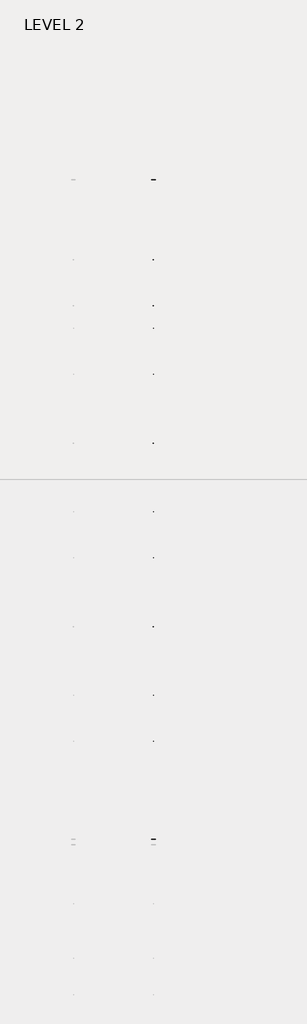
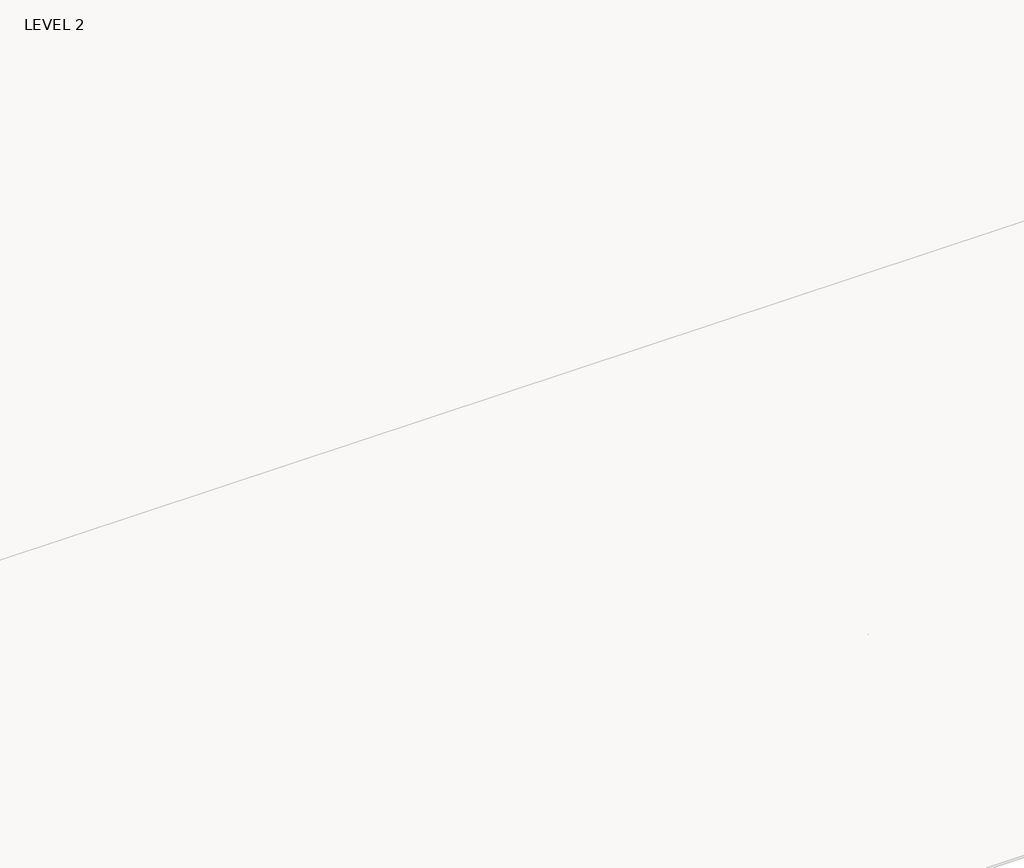
# One storey, part 47 of 67: 1 beam.
"""IFC4 building model written with IfcOpenShell, lengths in millimetres."""

from ifc_helpers import new_model, si_unit, frame, origin, place, context, project, spatial, polyline, outline, extrude, faceted_brep, element, save

model = new_model("IFC4")

# Units and contexts
model_context = context("Model", 3, world=origin())
ifc_project = project(units=[si_unit("LENGTHUNIT", "METRE", prefix="MILLI")], contexts=[model_context])

# Site, building, storey
site = spatial("IfcSite", under=ifc_project)
building = spatial("IfcBuilding", under=site)
storey = spatial("IfcBuildingStorey", under=building, Name="LEVEL 2", Elevation=6908.8)

# Beam
placement = place(None, origin())
element("IfcBeam", 1, ObjectType="K-Series Bar Joist-Angle Web : 30K7", at=placement, inside=storey, context=model_context, shape_type="SolidModel", body=[
    extrude(outline(polyline([(0.0, -9.525), (0.0, 0.0), (1596.011582, 0.0), (1596.011582, -9.525), (0.0, -9.525)])), frame((38749.8014942, 3035.5608234, 6301.5998528), z_axis=(0.0, -0.45537207995192985, 0.8903012236317849), x_axis=(0.0, -0.8903012236317849, -0.45537207995192985)), (0.0, 0.0, 1.0), 9.525),
    extrude(outline(polyline([(0.0, -9.525), (0.0, 0.0), (1596.011582, 0.0), (1596.011582, -9.525), (0.0, -9.525)])), frame((38740.2764942, -9405.2089013, 6276.405159), z_axis=(0.0, 0.45176233395621196, 0.8921383265046045), x_axis=(0.0, 0.8921383265046045, -0.45176233395621196)), (0.0, 0.0, 1.0), 9.525),
    extrude(outline(polyline([(4.7625, 4.7625), (4.7625, -4.7625), (-4.7625, -4.7625), (-4.7625, 4.7625), (4.7625, 4.7625)])), frame((38745.0389942, 1612.4610495, 5579.0607987), z_axis=(0.0, 0.5141906943646374, 0.8576758885667779), x_axis=(-1.0, 0.0, 0.0)), (0.0, 0.0, 1.0), 845.0528554),
    extrude(outline(polyline([(4.7625, 4.7625), (4.7625, -4.7625), (-4.7625, -4.7625), (-4.7625, 4.7625), (4.7625, 4.7625)])), frame((38745.0389942, -7979.1942813, 5559.6360505), z_axis=(0.0, -0.5176603441548682, 0.8555862131249332), x_axis=(-1.0, 0.0, 0.0)), (0.0, 0.0, 1.0), 845.0528554),
    extrude(outline(polyline([(0.0, 0.0), (31.75, 0.0), (31.75, -6.35), (6.35, -6.35), (6.35, -31.75), (0.0, -31.75), (0.0, 0.0)])), frame((38749.8014942, -8080.7812131, 5553.0803065), z_axis=(0.0, 0.9999979493462576, 0.0020251674695521043), x_axis=(1.0, 0.0, 0.0)), (0.0, 0.0, 1.0), 9794.875),
    extrude(outline(polyline([(-9.525, 0.0), (-9.525, -31.75), (-15.875, -31.75), (-15.875, -6.35), (-41.275, -6.35), (-41.275, 0.0), (-9.525, 0.0)])), frame((38749.8014942, -8080.7812131, 5553.0803065), z_axis=(0.0, 0.9999979493462576, 0.0020251674695521043), x_axis=(1.0, 0.0, 0.0)), (0.0, 0.0, 1.0), 9794.875),
    extrude(outline(polyline([(-31.75, 0.0), (0.0, 0.0), (0.0, -6.35), (-25.4, -6.35), (-25.4, -31.75), (-31.75, -31.75), (-31.75, 0.0)])), frame((38781.5514942, -9504.5928758, 6248.6982759), z_axis=(0.0, 0.9999979493462576, 0.0020251674695521043), x_axis=(1.0, 0.0, 0.0)), (0.0, 0.0, 1.0), 101.6),
    extrude(outline(polyline([(-41.275, 0.0), (-41.275, -31.75), (-47.625, -31.75), (-47.625, -6.35), (-73.025, -6.35), (-73.025, 0.0), (-41.275, 0.0)])), frame((38781.5514942, -9504.5928758, 6248.6982759), z_axis=(0.0, 0.9999979493462576, 0.0020251674695521043), x_axis=(1.0, 0.0, 0.0)), (0.0, 0.0, 1.0), 101.6),
    extrude(outline(polyline([(0.0, 0.0), (31.75, 0.0), (31.75, -6.35), (6.35, -6.35), (6.35, -31.75), (0.0, -31.75), (0.0, 0.0)])), frame((38740.2764942, 3033.456413, 6274.0899775), z_axis=(0.0, 0.9999979493462576, 0.0020251674695521043), x_axis=(0.0, -0.0020251674695521043, 0.9999979493462576)), (0.0, 0.0, 1.0), 101.6),
    extrude(outline(polyline([(0.0, 41.275), (6.35, 41.275), (6.35, 15.875), (31.75, 15.875), (31.75, 9.525), (0.0, 9.525), (0.0, 41.275)])), frame((38740.2764942, 3033.456413, 6274.0899775), z_axis=(0.0, 0.9999979493462576, 0.0020251674695521043), x_axis=(0.0, -0.0020251674695521043, 0.9999979493462576)), (0.0, 0.0, 1.0), 101.6),
    extrude(outline(polyline([(0.0, 0.0), (31.75, 0.0), (31.75, -6.35), (6.35, -6.35), (6.35, -31.75), (0.0, -31.75), (0.0, 0.0)])), frame((38749.8014942, -9504.7214739, 6312.1981457), z_axis=(0.0, 0.9999979493462576, 0.0020251674695521043), x_axis=(0.0, 0.0020251674695521043, -0.9999979493462576)), (0.0, 0.0, 1.0), 12639.675),
    extrude(outline(polyline([(0.0, 9.525), (0.0, 41.275), (6.35, 41.275), (6.35, 15.875), (31.75, 15.875), (31.75, 9.525), (0.0, 9.525)])), frame((38749.8014942, -9504.7214739, 6312.1981457), z_axis=(0.0, 0.9999979493462576, 0.0020251674695521043), x_axis=(0.0, 0.0020251674695521043, -0.9999979493462576)), (0.0, 0.0, 1.0), 12639.675),
    faceted_brep([(38745.0389942, 1612.4289, 5594.9357661), (38745.0389942, 1612.4674794, 5575.8858052), (38740.2764942, 1612.4674794, 5575.8858052), (38740.2764942, 1612.4289, 5594.9357661), (38745.0389942, 1611.5910583, 5594.9340693), (38745.0389942, 1186.8149607, 6330.6753354), (38745.0389942, 1168.6028414, 6330.6384527), (38745.0389942, 1168.6414208, 6311.5884918), (38745.0389942, 1175.8292494, 6311.6030483), (38745.0389942, 1600.6053471, 5575.8617823), (38740.2764942, 1600.6053471, 5575.8617823), (38740.2764942, 1580.4651011, 5610.7460665), (38740.2764942, 1584.5895575, 5613.1272983), (38740.2764942, 1189.1083632, 6298.1277874), (38740.2764942, 1184.9839067, 6295.7465555), (38740.2764942, 1175.8292494, 6311.6030483), (38740.2764942, 1168.6414208, 6311.5884918), (38740.2764942, 1168.6028414, 6330.6384527), (38740.2764942, 1186.8149607, 6330.6753354), (38740.2764942, 1611.5910583, 5594.9340693), (38727.5764942, 1184.9839067, 6295.7465555), (38727.5764942, 1580.4651011, 5610.7460665), (38727.5764942, 1584.5895575, 5613.1272983), (38727.5764942, 1189.1083632, 6298.1277874)], [[[0, 1, 2, 3]], [[1, 0, 4, 5, 6, 7, 8, 9]], [[2, 1, 9, 10]], [[3, 2, 10, 11, 12, 13, 14, 15, 16, 17, 18, 19]], [[0, 3, 19, 4]], [[9, 8, 15, 14, 20, 21, 11, 10]], [[5, 4, 19, 18]], [[7, 6, 17, 16]], [[8, 7, 16, 15]], [[6, 5, 18, 17]], [[21, 22, 12, 11]], [[20, 14, 13, 23]], [[22, 21, 20, 23]], [[12, 22, 23, 13]]]),
    extrude(outline(polyline([(740.498813, 5574.119919), (740.4602335, 5593.1698799), (741.2980751, 5593.1715767), (1163.090696, 6330.6272897), (1181.3028154, 6330.6641723), (1181.3413948, 6311.6142114), (1174.1535662, 6311.5996548), (752.3609453, 5574.1439418), (740.498813, 5574.119919)])), frame((38745.0389942, 0.0, 0.0), z_axis=(1.0, 0.0, 0.0), x_axis=(0.0, 1.0, 0.0)), (0.0, 0.0, 1.0), 4.7625),
    extrude(outline(polyline([(-4.7625, 4.7625), (-4.7625, 0.0), (-17.4625, 0.0), (-17.4625, 4.7625), (-4.7625, 4.7625)])), frame((38745.0389942, 772.3597334, 5609.1095144), z_axis=(0.0, 0.4964843899757221, 0.8680456500152716), x_axis=(-1.0, 0.0, 0.0)), (0.0, 0.0, 1.0), 790.9684223),
    faceted_brep([(38745.0389942, -7107.2577644, 5577.2769041), (38745.0389942, -7107.219185, 5558.2269432), (38740.2764942, -7107.219185, 5558.2269432), (38740.2764942, -7107.2577644, 5577.2769041), (38745.0389942, -7108.095606, 5577.2752074), (38745.0389942, -7532.8717036, 6313.0164734), (38745.0389942, -7551.083823, 6312.9795907), (38745.0389942, -7551.0452435, 6293.9296298), (38745.0389942, -7543.8574149, 6293.9441864), (38745.0389942, -7119.0813173, 5558.2029203), (38740.2764942, -7119.0813173, 5558.2029203), (38740.2764942, -7139.2215633, 5593.0872045), (38740.2764942, -7135.0971068, 5595.4684363), (38740.2764942, -7530.5783012, 6280.4689254), (38740.2764942, -7534.7027576, 6278.0876936), (38740.2764942, -7543.8574149, 6293.9441864), (38740.2764942, -7551.0452435, 6293.9296298), (38740.2764942, -7551.083823, 6312.9795907), (38740.2764942, -7532.8717036, 6313.0164734), (38740.2764942, -7108.095606, 5577.2752074), (38727.5764942, -7534.7027576, 6278.0876936), (38727.5764942, -7139.2215633, 5593.0872045), (38727.5764942, -7135.0971068, 5595.4684363), (38727.5764942, -7530.5783012, 6280.4689254)], [[[0, 1, 2, 3]], [[1, 0, 4, 5, 6, 7, 8, 9]], [[2, 1, 9, 10]], [[3, 2, 10, 11, 12, 13, 14, 15, 16, 17, 18, 19]], [[0, 3, 19, 4]], [[9, 8, 15, 14, 20, 21, 11, 10]], [[5, 4, 19, 18]], [[7, 6, 17, 16]], [[8, 7, 16, 15]], [[6, 5, 18, 17]], [[21, 22, 12, 11]], [[20, 14, 13, 23]], [[22, 21, 20, 23]], [[12, 22, 23, 13]]]),
    extrude(outline(polyline([(-7979.1878514, 5556.461057), (-7979.2264308, 5575.5110179), (-7978.3885892, 5575.5127147), (-7556.5959683, 6312.9684277), (-7538.383849, 6313.0053103), (-7538.3452696, 6293.9553494), (-7545.5330982, 6293.9407928), (-7967.3257191, 5556.4850798), (-7979.1878514, 5556.461057)])), frame((38745.0389942, 0.0, 0.0), z_axis=(1.0, 0.0, 0.0), x_axis=(0.0, 1.0, 0.0)), (0.0, 0.0, 1.0), 4.7625),
    extrude(outline(polyline([(-4.7625, 4.7625), (-4.7625, 0.0), (-17.4625, 0.0), (-17.4625, 4.7625), (-4.7625, 4.7625)])), frame((38745.0389942, -7947.326931, 5591.4506524), z_axis=(0.0, 0.4964843899757221, 0.8680456500152716), x_axis=(-1.0, 0.0, 0.0)), (0.0, 0.0, 1.0), 790.9684223),
    faceted_brep([(38745.0389942, 740.4602335, 5593.1698799), (38745.0389942, 740.498813, 5574.119919), (38740.2764942, 740.498813, 5574.119919), (38740.2764942, 740.4602335, 5593.1698799), (38745.0389942, 739.6223919, 5593.1681831), (38745.0389942, 314.8462943, 6328.9094492), (38745.0389942, 296.634175, 6328.8725665), (38745.0389942, 296.6727544, 6309.8226056), (38745.0389942, 303.860583, 6309.8371621), (38745.0389942, 728.6366806, 5574.0958961), (38740.2764942, 728.6366806, 5574.0958961), (38740.2764942, 708.4964346, 5608.9801803), (38740.2764942, 712.6208911, 5611.3614121), (38740.2764942, 317.1396968, 6296.3619012), (38740.2764942, 313.0152403, 6293.9806693), (38740.2764942, 303.860583, 6309.8371621), (38740.2764942, 296.6727544, 6309.8226056), (38740.2764942, 296.634175, 6328.8725665), (38740.2764942, 314.8462943, 6328.9094492), (38740.2764942, 739.6223919, 5593.1681831), (38727.5764942, 313.0152403, 6293.9806693), (38727.5764942, 708.4964346, 5608.9801803), (38727.5764942, 712.6208911, 5611.3614121), (38727.5764942, 317.1396968, 6296.3619012)], [[[0, 1, 2, 3]], [[1, 0, 4, 5, 6, 7, 8, 9]], [[2, 1, 9, 10]], [[3, 2, 10, 11, 12, 13, 14, 15, 16, 17, 18, 19]], [[0, 3, 19, 4]], [[9, 8, 15, 14, 20, 21, 11, 10]], [[5, 4, 19, 18]], [[7, 6, 17, 16]], [[8, 7, 16, 15]], [[6, 5, 18, 17]], [[21, 22, 12, 11]], [[20, 14, 13, 23]], [[22, 21, 20, 23]], [[12, 22, 23, 13]]]),
    extrude(outline(polyline([(-131.4698535, 5572.3540328), (-131.5084329, 5591.4039937), (-130.6705913, 5591.4056905), (291.1220296, 6328.8614035), (309.3341489, 6328.8982861), (309.3727284, 6309.8483252), (302.1848998, 6309.8337686), (-119.6077211, 5572.3780556), (-131.4698535, 5572.3540328)])), frame((38745.0389942, 0.0, 0.0), z_axis=(1.0, 0.0, 0.0), x_axis=(0.0, 1.0, 0.0)), (0.0, 0.0, 1.0), 4.7625),
    extrude(outline(polyline([(-4.7625, 4.7625), (-4.7625, 0.0), (-17.4625, 0.0), (-17.4625, 4.7625), (-4.7625, 4.7625)])), frame((38745.0389942, -99.6089331, 5607.3436282), z_axis=(0.0, 0.4964843899757221, 0.8680456500152716), x_axis=(-1.0, 0.0, 0.0)), (0.0, 0.0, 1.0), 790.9684223),
    faceted_brep([(38745.0389942, -131.5084329, 5591.4039937), (38745.0389942, -131.4698535, 5572.3540328), (38740.2764942, -131.4698535, 5572.3540328), (38740.2764942, -131.5084329, 5591.4039937), (38745.0389942, -132.3462745, 5591.4022969), (38745.0389942, -557.1223722, 6327.143563), (38745.0389942, -575.3344915, 6327.1066803), (38745.0389942, -575.295912, 6308.0567194), (38745.0389942, -568.1080834, 6308.0712759), (38745.0389942, -143.3319858, 5572.3300099), (38740.2764942, -143.3319858, 5572.3300099), (38740.2764942, -163.4722318, 5607.2142941), (38740.2764942, -159.3477753, 5609.5955259), (38740.2764942, -554.8289697, 6294.596015), (38740.2764942, -558.9534262, 6292.2147831), (38740.2764942, -568.1080834, 6308.0712759), (38740.2764942, -575.295912, 6308.0567194), (38740.2764942, -575.3344915, 6327.1066803), (38740.2764942, -557.1223722, 6327.143563), (38740.2764942, -132.3462745, 5591.4022969), (38727.5764942, -558.9534262, 6292.2147831), (38727.5764942, -163.4722318, 5607.2142941), (38727.5764942, -159.3477753, 5609.5955259), (38727.5764942, -554.8289697, 6294.596015)], [[[0, 1, 2, 3]], [[1, 0, 4, 5, 6, 7, 8, 9]], [[2, 1, 9, 10]], [[3, 2, 10, 11, 12, 13, 14, 15, 16, 17, 18, 19]], [[0, 3, 19, 4]], [[9, 8, 15, 14, 20, 21, 11, 10]], [[5, 4, 19, 18]], [[7, 6, 17, 16]], [[8, 7, 16, 15]], [[6, 5, 18, 17]], [[21, 22, 12, 11]], [[20, 14, 13, 23]], [[22, 21, 20, 23]], [[12, 22, 23, 13]]]),
    extrude(outline(polyline([(-1003.4385199, 5570.5881466), (-1003.4770993, 5589.6381075), (-1002.6392577, 5589.6398043), (-580.8466368, 6327.0955173), (-562.6345175, 6327.1323999), (-562.5959381, 6308.082439), (-569.7837667, 6308.0678824), (-991.5763876, 5570.6121694), (-1003.4385199, 5570.5881466)])), frame((38745.0389942, 0.0, 0.0), z_axis=(1.0, 0.0, 0.0), x_axis=(0.0, 1.0, 0.0)), (0.0, 0.0, 1.0), 4.7625),
    extrude(outline(polyline([(-4.7625, 4.7625), (-4.7625, 0.0), (-17.4625, 0.0), (-17.4625, 4.7625), (-4.7625, 4.7625)])), frame((38745.0389942, -971.5775995, 5605.577742), z_axis=(0.0, 0.4964843899757221, 0.8680456500152716), x_axis=(-1.0, 0.0, 0.0)), (0.0, 0.0, 1.0), 790.9684223),
    faceted_brep([(38745.0389942, -1003.4770993, 5589.6381075), (38745.0389942, -1003.4385199, 5570.5881466), (38740.2764942, -1003.4385199, 5570.5881466), (38740.2764942, -1003.4770993, 5589.6381075), (38745.0389942, -1004.314941, 5589.6364107), (38745.0389942, -1429.0910386, 6325.3776768), (38745.0389942, -1447.3031579, 6325.3407941), (38745.0389942, -1447.2645785, 6306.2908332), (38745.0389942, -1440.0767499, 6306.3053897), (38745.0389942, -1015.3006522, 5570.5641237), (38740.2764942, -1015.3006522, 5570.5641237), (38740.2764942, -1035.4408983, 5605.4484079), (38740.2764942, -1031.3164418, 5607.8296397), (38740.2764942, -1426.7976361, 6292.8301288), (38740.2764942, -1430.9220926, 6290.4488969), (38740.2764942, -1440.0767499, 6306.3053897), (38740.2764942, -1447.2645785, 6306.2908332), (38740.2764942, -1447.3031579, 6325.3407941), (38740.2764942, -1429.0910386, 6325.3776768), (38740.2764942, -1004.314941, 5589.6364107), (38727.5764942, -1430.9220926, 6290.4488969), (38727.5764942, -1035.4408983, 5605.4484079), (38727.5764942, -1031.3164418, 5607.8296397), (38727.5764942, -1426.7976361, 6292.8301288)], [[[0, 1, 2, 3]], [[1, 0, 4, 5, 6, 7, 8, 9]], [[2, 1, 9, 10]], [[3, 2, 10, 11, 12, 13, 14, 15, 16, 17, 18, 19]], [[0, 3, 19, 4]], [[9, 8, 15, 14, 20, 21, 11, 10]], [[5, 4, 19, 18]], [[7, 6, 17, 16]], [[8, 7, 16, 15]], [[6, 5, 18, 17]], [[21, 22, 12, 11]], [[20, 14, 13, 23]], [[22, 21, 20, 23]], [[12, 22, 23, 13]]]),
    extrude(outline(polyline([(-1875.4071863, 5568.8222604), (-1875.4457658, 5587.8722213), (-1874.6079242, 5587.8739181), (-1452.8153033, 6325.3296311), (-1434.6031839, 6325.3665137), (-1434.5646045, 6306.3165528), (-1441.7524331, 6306.3019962), (-1863.545054, 5568.8462832), (-1875.4071863, 5568.8222604)])), frame((38745.0389942, 0.0, 0.0), z_axis=(1.0, 0.0, 0.0), x_axis=(0.0, 1.0, 0.0)), (0.0, 0.0, 1.0), 4.7625),
    extrude(outline(polyline([(-4.7625, 4.7625001), (-4.7625, 0.0), (-17.4625, 0.0), (-17.4625, 4.7625001), (-4.7625, 4.7625001)])), frame((38745.0389942, -1843.5462659, 5603.8118558), z_axis=(0.0, 0.4964843899757221, 0.8680456500152716), x_axis=(-1.0, 0.0, 0.0)), (0.0, 0.0, 1.0), 790.9684223),
    faceted_brep([(38745.0389942, -1875.4457658, 5587.8722213), (38745.0389942, -1875.4071863, 5568.8222604), (38740.2764942, -1875.4071863, 5568.8222604), (38740.2764942, -1875.4457658, 5587.8722213), (38745.0389942, -1876.2836074, 5587.8705245), (38745.0389942, -2301.059705, 6323.6117906), (38745.0389942, -2319.2718243, 6323.5749079), (38745.0389942, -2319.2332449, 6304.524947), (38745.0389942, -2312.0454163, 6304.5395035), (38745.0389942, -1887.2693187, 5568.7982375), (38740.2764942, -1887.2693187, 5568.7982375), (38740.2764942, -1907.4095647, 5603.6825217), (38740.2764942, -1903.2851082, 5606.0637535), (38740.2764942, -2298.7663026, 6291.0642426), (38740.2764942, -2302.890759, 6288.6830107), (38740.2764942, -2312.0454163, 6304.5395035), (38740.2764942, -2319.2332449, 6304.524947), (38740.2764942, -2319.2718243, 6323.5749079), (38740.2764942, -2301.059705, 6323.6117906), (38740.2764942, -1876.2836074, 5587.8705245), (38727.5764942, -2302.890759, 6288.6830107), (38727.5764942, -1907.4095647, 5603.6825217), (38727.5764942, -1903.2851082, 5606.0637535), (38727.5764942, -2298.7663026, 6291.0642426)], [[[0, 1, 2, 3]], [[1, 0, 4, 5, 6, 7, 8, 9]], [[2, 1, 9, 10]], [[3, 2, 10, 11, 12, 13, 14, 15, 16, 17, 18, 19]], [[0, 3, 19, 4]], [[9, 8, 15, 14, 20, 21, 11, 10]], [[5, 4, 19, 18]], [[7, 6, 17, 16]], [[8, 7, 16, 15]], [[6, 5, 18, 17]], [[21, 22, 12, 11]], [[20, 14, 13, 23]], [[22, 21, 20, 23]], [[12, 22, 23, 13]]]),
    extrude(outline(polyline([(-2747.3758528, 5567.0563742), (-2747.4144322, 5586.1063351), (-2746.5765906, 5586.1080319), (-2324.7839697, 6323.5637449), (-2306.5718504, 6323.6006275), (-2306.5332709, 6304.5506666), (-2313.7210995, 6304.53611), (-2735.5137204, 5567.080397), (-2747.3758528, 5567.0563742)])), frame((38745.0389942, 0.0, 0.0), z_axis=(1.0, 0.0, 0.0), x_axis=(0.0, 1.0, 0.0)), (0.0, 0.0, 1.0), 4.7625),
    extrude(outline(polyline([(-4.7625, 4.7625), (-4.7625, 0.0), (-17.4625, 0.0), (-17.4625, 4.7625), (-4.7625, 4.7625)])), frame((38745.0389942, -2715.5149324, 5602.0459696), z_axis=(0.0, 0.4964843899757221, 0.8680456500152716), x_axis=(-1.0, 0.0, 0.0)), (0.0, 0.0, 1.0), 790.9684223),
    faceted_brep([(38745.0389942, -2747.4144322, 5586.1063351), (38745.0389942, -2747.3758528, 5567.0563742), (38740.2764942, -2747.3758528, 5567.0563742), (38740.2764942, -2747.4144322, 5586.1063351), (38745.0389942, -2748.2522738, 5586.1046383), (38745.0389942, -3173.0283715, 6321.8459044), (38745.0389942, -3191.2404908, 6321.8090217), (38745.0389942, -3191.2019113, 6302.7590608), (38745.0389942, -3184.0140827, 6302.7736173), (38745.0389942, -2759.2379851, 5567.0323513), (38740.2764942, -2759.2379851, 5567.0323513), (38740.2764942, -2779.3782311, 5601.9166355), (38740.2764942, -2775.2537747, 5604.2978673), (38740.2764942, -3170.734969, 6289.2983564), (38740.2764942, -3174.8594255, 6286.9171245), (38740.2764942, -3184.0140827, 6302.7736173), (38740.2764942, -3191.2019113, 6302.7590608), (38740.2764942, -3191.2404908, 6321.8090217), (38740.2764942, -3173.0283715, 6321.8459044), (38740.2764942, -2748.2522738, 5586.1046383), (38727.5764942, -3174.8594255, 6286.9171245), (38727.5764942, -2779.3782311, 5601.9166355), (38727.5764942, -2775.2537747, 5604.2978673), (38727.5764942, -3170.734969, 6289.2983564)], [[[0, 1, 2, 3]], [[1, 0, 4, 5, 6, 7, 8, 9]], [[2, 1, 9, 10]], [[3, 2, 10, 11, 12, 13, 14, 15, 16, 17, 18, 19]], [[0, 3, 19, 4]], [[9, 8, 15, 14, 20, 21, 11, 10]], [[5, 4, 19, 18]], [[7, 6, 17, 16]], [[8, 7, 16, 15]], [[6, 5, 18, 17]], [[21, 22, 12, 11]], [[20, 14, 13, 23]], [[22, 21, 20, 23]], [[12, 22, 23, 13]]]),
    extrude(outline(polyline([(-3619.3445192, 5565.290488), (-3619.3830987, 5584.3404489), (-3618.545257, 5584.3421457), (-3196.7526361, 6321.7978587), (-3178.5405168, 6321.8347413), (-3178.5019374, 6302.7847804), (-3185.689766, 6302.7702238), (-3607.4823869, 5565.3145108), (-3619.3445192, 5565.290488)])), frame((38745.0389942, 0.0, 0.0), z_axis=(1.0, 0.0, 0.0), x_axis=(0.0, 1.0, 0.0)), (0.0, 0.0, 1.0), 4.7625),
    extrude(outline(polyline([(-4.7625, 4.7625), (-4.7625, 0.0), (-17.4625, 0.0), (-17.4625, 4.7625), (-4.7625, 4.7625)])), frame((38745.0389942, -3587.4835988, 5600.2800834), z_axis=(0.0, 0.4964843899757221, 0.8680456500152716), x_axis=(-1.0, 0.0, 0.0)), (0.0, 0.0, 1.0), 790.9684223),
    faceted_brep([(38745.0389942, -3619.3830987, 5584.3404489), (38745.0389942, -3619.3445192, 5565.290488), (38740.2764942, -3619.3445192, 5565.290488), (38740.2764942, -3619.3830987, 5584.3404489), (38745.0389942, -3620.2209403, 5584.3387521), (38745.0389942, -4044.9970379, 6320.0800182), (38745.0389942, -4063.2091572, 6320.0431355), (38745.0389942, -4063.1705778, 6300.9931746), (38745.0389942, -4055.9827492, 6301.0077311), (38745.0389942, -3631.2066516, 5565.2664651), (38740.2764942, -3631.2066516, 5565.2664651), (38740.2764942, -3651.3468976, 5600.1507493), (38740.2764942, -3647.2224411, 5602.5319811), (38740.2764942, -4042.7036354, 6287.5324702), (38740.2764942, -4046.8280919, 6285.1512383), (38740.2764942, -4055.9827492, 6301.0077311), (38740.2764942, -4063.1705778, 6300.9931746), (38740.2764942, -4063.2091572, 6320.0431355), (38740.2764942, -4044.9970379, 6320.0800182), (38740.2764942, -3620.2209403, 5584.3387521), (38727.5764942, -4046.8280919, 6285.1512383), (38727.5764942, -3651.3468976, 5600.1507493), (38727.5764942, -3647.2224411, 5602.5319811), (38727.5764942, -4042.7036354, 6287.5324702)], [[[0, 1, 2, 3]], [[1, 0, 4, 5, 6, 7, 8, 9]], [[2, 1, 9, 10]], [[3, 2, 10, 11, 12, 13, 14, 15, 16, 17, 18, 19]], [[0, 3, 19, 4]], [[9, 8, 15, 14, 20, 21, 11, 10]], [[5, 4, 19, 18]], [[7, 6, 17, 16]], [[8, 7, 16, 15]], [[6, 5, 18, 17]], [[21, 22, 12, 11]], [[20, 14, 13, 23]], [[22, 21, 20, 23]], [[12, 22, 23, 13]]]),
    extrude(outline(polyline([(-4491.3131857, 5563.5246018), (-4491.3517651, 5582.5745627), (-4490.5139235, 5582.5762595), (-4068.7213026, 6320.0319725), (-4050.5091833, 6320.0688551), (-4050.4706038, 6301.0188942), (-4057.6584324, 6301.0043376), (-4479.4510533, 5563.5486246), (-4491.3131857, 5563.5246018)])), frame((38745.0389942, 0.0, 0.0), z_axis=(1.0, 0.0, 0.0), x_axis=(0.0, 1.0, 0.0)), (0.0, 0.0, 1.0), 4.7625),
    extrude(outline(polyline([(-4.7625, 4.7625), (-4.7625, 0.0), (-17.4625, 0.0), (-17.4625, 4.7625), (-4.7625, 4.7625)])), frame((38745.0389942, -4459.4522653, 5598.5141972), z_axis=(0.0, 0.4964843899757221, 0.8680456500152716), x_axis=(-1.0, 0.0, 0.0)), (0.0, 0.0, 1.0), 790.9684223),
    faceted_brep([(38745.0389942, -4491.3517651, 5582.5745627), (38745.0389942, -4491.3131857, 5563.5246018), (38740.2764942, -4491.3131857, 5563.5246018), (38740.2764942, -4491.3517651, 5582.5745627), (38745.0389942, -4492.1896067, 5582.572866), (38745.0389942, -4916.9657043, 6318.314132), (38745.0389942, -4935.1778236, 6318.2772493), (38745.0389942, -4935.1392442, 6299.2272884), (38745.0389942, -4927.9514156, 6299.241845), (38745.0389942, -4503.175318, 5563.5005789), (38740.2764942, -4503.175318, 5563.5005789), (38740.2764942, -4523.315564, 5598.3848631), (38740.2764942, -4519.1911075, 5600.7660949), (38740.2764942, -4914.6723019, 6285.766584), (38740.2764942, -4918.7967583, 6283.3853521), (38740.2764942, -4927.9514156, 6299.241845), (38740.2764942, -4935.1392442, 6299.2272884), (38740.2764942, -4935.1778236, 6318.2772493), (38740.2764942, -4916.9657043, 6318.314132), (38740.2764942, -4492.1896067, 5582.572866), (38727.5764942, -4918.7967583, 6283.3853521), (38727.5764942, -4523.315564, 5598.3848631), (38727.5764942, -4519.1911075, 5600.7660949), (38727.5764942, -4914.6723019, 6285.766584)], [[[0, 1, 2, 3]], [[1, 0, 4, 5, 6, 7, 8, 9]], [[2, 1, 9, 10]], [[3, 2, 10, 11, 12, 13, 14, 15, 16, 17, 18, 19]], [[0, 3, 19, 4]], [[9, 8, 15, 14, 20, 21, 11, 10]], [[5, 4, 19, 18]], [[7, 6, 17, 16]], [[8, 7, 16, 15]], [[6, 5, 18, 17]], [[21, 22, 12, 11]], [[20, 14, 13, 23]], [[22, 21, 20, 23]], [[12, 22, 23, 13]]]),
    extrude(outline(polyline([(-5363.2818521, 5561.7587156), (-5363.3204315, 5580.8086765), (-5362.4825899, 5580.8103733), (-4940.689969, 6318.2660863), (-4922.4778497, 6318.3029689), (-4922.4392703, 6299.253008), (-4929.6270988, 6299.2384514), (-5351.4197198, 5561.7827384), (-5363.2818521, 5561.7587156)])), frame((38745.0389942, 0.0, 0.0), z_axis=(1.0, 0.0, 0.0), x_axis=(0.0, 1.0, 0.0)), (0.0, 0.0, 1.0), 4.7625),
    extrude(outline(polyline([(-4.7625, 4.7625), (-4.7625, 0.0), (-17.4625, 0.0), (-17.4625, 4.7625), (-4.7625, 4.7625)])), frame((38745.0389942, -5331.4209317, 5596.748311), z_axis=(0.0, 0.4964843899757221, 0.8680456500152716), x_axis=(-1.0, 0.0, 0.0)), (0.0, 0.0, 1.0), 790.9684223),
    faceted_brep([(38745.0389942, -5363.3204315, 5580.8086765), (38745.0389942, -5363.2818521, 5561.7587156), (38740.2764942, -5363.2818521, 5561.7587156), (38740.2764942, -5363.3204315, 5580.8086765), (38745.0389942, -5364.1582731, 5580.8069798), (38745.0389942, -5788.9343708, 6316.5482458), (38745.0389942, -5807.1464901, 6316.5113631), (38745.0389942, -5807.1079106, 6297.4614022), (38745.0389942, -5799.920082, 6297.4759588), (38745.0389942, -5375.1439844, 5561.7346927), (38740.2764942, -5375.1439844, 5561.7346927), (38740.2764942, -5395.2842304, 5596.6189769), (38740.2764942, -5391.159774, 5599.0002087), (38740.2764942, -5786.6409683, 6284.0006978), (38740.2764942, -5790.7654248, 6281.6194659), (38740.2764942, -5799.920082, 6297.4759588), (38740.2764942, -5807.1079106, 6297.4614022), (38740.2764942, -5807.1464901, 6316.5113631), (38740.2764942, -5788.9343708, 6316.5482458), (38740.2764942, -5364.1582731, 5580.8069798), (38727.5764942, -5790.7654248, 6281.6194659), (38727.5764942, -5395.2842304, 5596.6189769), (38727.5764942, -5391.159774, 5599.0002087), (38727.5764942, -5786.6409683, 6284.0006978)], [[[0, 1, 2, 3]], [[1, 0, 4, 5, 6, 7, 8, 9]], [[2, 1, 9, 10]], [[3, 2, 10, 11, 12, 13, 14, 15, 16, 17, 18, 19]], [[0, 3, 19, 4]], [[9, 8, 15, 14, 20, 21, 11, 10]], [[5, 4, 19, 18]], [[7, 6, 17, 16]], [[8, 7, 16, 15]], [[6, 5, 18, 17]], [[21, 22, 12, 11]], [[20, 14, 13, 23]], [[22, 21, 20, 23]], [[12, 22, 23, 13]]]),
    extrude(outline(polyline([(-6235.2505185, 5559.9928294), (-6235.289098, 5579.0427903), (-6234.4512563, 5579.0444871), (-5812.6586354, 6316.5002001), (-5794.4465161, 6316.5370827), (-5794.4079367, 6297.4871218), (-5801.5957653, 6297.4725652), (-6223.3883862, 5560.0168522), (-6235.2505185, 5559.9928294)])), frame((38745.0389942, 0.0, 0.0), z_axis=(1.0, 0.0, 0.0), x_axis=(0.0, 1.0, 0.0)), (0.0, 0.0, 1.0), 4.7625),
    extrude(outline(polyline([(-4.7625, 4.7625), (-4.7625, 0.0), (-17.4625, 0.0), (-17.4625, 4.7625), (-4.7625, 4.7625)])), frame((38745.0389942, -6203.3895981, 5594.9824248), z_axis=(0.0, 0.4964843899757221, 0.8680456500152716), x_axis=(-1.0, 0.0, 0.0)), (0.0, 0.0, 1.0), 790.9684223),
    faceted_brep([(38745.0389942, -6235.289098, 5579.0427903), (38745.0389942, -6235.2505185, 5559.9928294), (38740.2764942, -6235.2505185, 5559.9928294), (38740.2764942, -6235.289098, 5579.0427903), (38745.0389942, -6236.1269396, 5579.0410936), (38745.0389942, -6660.9030372, 6314.7823596), (38745.0389942, -6679.1151565, 6314.7454769), (38745.0389942, -6679.0765771, 6295.695516), (38745.0389942, -6671.8887485, 6295.7100726), (38745.0389942, -6247.1126509, 5559.9688065), (38740.2764942, -6247.1126509, 5559.9688065), (38740.2764942, -6267.2528969, 5594.8530907), (38740.2764942, -6263.1284404, 5597.2343225), (38740.2764942, -6658.6096347, 6282.2348116), (38740.2764942, -6662.7340912, 6279.8535798), (38740.2764942, -6671.8887485, 6295.7100726), (38740.2764942, -6679.0765771, 6295.695516), (38740.2764942, -6679.1151565, 6314.7454769), (38740.2764942, -6660.9030372, 6314.7823596), (38740.2764942, -6236.1269396, 5579.0410936), (38727.5764942, -6662.7340912, 6279.8535798), (38727.5764942, -6267.2528969, 5594.8530907), (38727.5764942, -6263.1284404, 5597.2343225), (38727.5764942, -6658.6096347, 6282.2348116)], [[[0, 1, 2, 3]], [[1, 0, 4, 5, 6, 7, 8, 9]], [[2, 1, 9, 10]], [[3, 2, 10, 11, 12, 13, 14, 15, 16, 17, 18, 19]], [[0, 3, 19, 4]], [[9, 8, 15, 14, 20, 21, 11, 10]], [[5, 4, 19, 18]], [[7, 6, 17, 16]], [[8, 7, 16, 15]], [[6, 5, 18, 17]], [[21, 22, 12, 11]], [[20, 14, 13, 23]], [[22, 21, 20, 23]], [[12, 22, 23, 13]]]),
    extrude(outline(polyline([(-7107.219185, 5558.2269432), (-7107.2577644, 5577.2769041), (-7106.4199228, 5577.2786009), (-6684.6273019, 6314.7343139), (-6666.4151826, 6314.7711965), (-6666.3766031, 6295.7212356), (-6673.5644317, 6295.706679), (-7095.3570526, 5558.250966), (-7107.219185, 5558.2269432)])), frame((38745.0389942, 0.0, 0.0), z_axis=(1.0, 0.0, 0.0), x_axis=(0.0, 1.0, 0.0)), (0.0, 0.0, 1.0), 4.7625),
    extrude(outline(polyline([(-4.7625, 4.7625), (-4.7625, 0.0), (-17.4625, 0.0), (-17.4625, 4.7625), (-4.7625, 4.7625)])), frame((38745.0389942, -7075.3582646, 5593.2165386), z_axis=(0.0, 0.4964843899757221, 0.8680456500152716), x_axis=(-1.0, 0.0, 0.0)), (0.0, 0.0, 1.0), 790.9684223),
])

save(model, "model.ifc")
